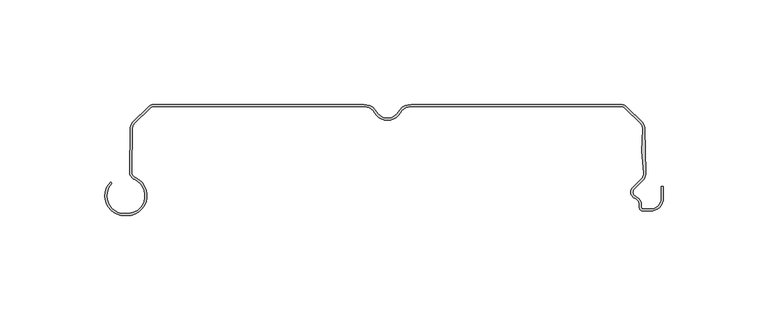
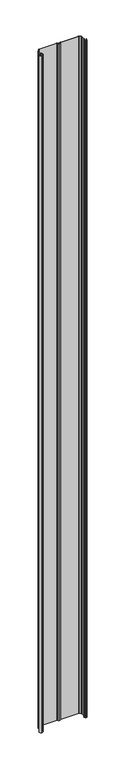
"""IFC4 building model written with IfcOpenShell, lengths in millimetres: plate geometry."""

from ifc_helpers import new_model, si_unit, point, frame_2d, origin, origin_with_axes, place, context, project, spatial, polyline, circle_curve, trimmed, segment, composite_curve, outline, extrude, source, transform, mapped, element, save


def plate_05f0d433(model_context):
    return source(origin(), model_context, "Body", "SweptSolid", [
        extrude(outline(composite_curve([segment(polyline([(-125.5602538, -52.1554675), (-124.3062538, -52.1554674)]), True, "CONTINUOUS"), segment(trimmed(circle_curve(frame_2d((-124.3062538, -43.6554676)), 8.4999998), [point((-124.3062538, -52.1554674))], [point((-120.7922986, -35.9158219))], True, "CARTESIAN"), True, "CONTINUOUS"), segment(trimmed(circle_curve(frame_2d((-119.0973318, -32.1825808)), 4.1000003), [point((-120.7922986, -35.9158219))], [point((-123.1663295, -31.6793315))], False, "CARTESIAN"), True, "CONTINUOUS"), segment(trimmed(circle_curve(frame_2d((-221.9872878, -20.0746668)), 99.5000002), [point((-123.1663295, -31.6793315))], [point((-122.8298399, -11.8253902))], True, "CARTESIAN"), True, "CONTINUOUS"), segment(trimmed(circle_curve(frame_2d((-118.7516342, -11.4032092)), 4.0999999), [point((-122.8298399, -11.8253902))], [point((-121.6507719, -8.5040714))], False, "CARTESIAN"), True, "CONTINUOUS"), segment(polyline([(-121.6507719, -8.5040714), (-114.3475628, -1.2008622)]), True, "CONTINUOUS"), segment(trimmed(circle_curve(frame_2d((-111.448425, -4.1)), 4.1), [point((-114.3475628, -1.2008622))], [point((-111.448425, 0.0))], False, "CARTESIAN"), True, "CONTINUOUS"), segment(polyline([(-111.448425, 0.0), (-11.2583302, 0.0)]), True, "CONTINUOUS"), segment(trimmed(circle_curve(frame_2d((-11.2583302, -7.0)), 7.0), [point((-11.2583302, 0.0))], [point((-5.1961524, -3.5))], False, "CARTESIAN"), True, "CONTINUOUS"), segment(trimmed(circle_curve(frame_2d((0.0, -0.5)), 6.0), [point((-5.1961524, -3.5))], [point((0.0, -6.5))], True, "CARTESIAN"), True, "CONTINUOUS"), segment(trimmed(circle_curve(frame_2d((0.0, -0.5)), 6.0), [point((0.0, -6.5))], [point((5.1961524, -3.5))], True, "CARTESIAN"), True, "CONTINUOUS"), segment(trimmed(circle_curve(frame_2d((11.2583302, -7.0)), 7.0), [point((5.1961524, -3.5))], [point((11.2583302, 0.0))], False, "CARTESIAN"), True, "CONTINUOUS"), segment(polyline([(11.2583302, 0.0), (111.448425, 0.0)]), True, "CONTINUOUS"), segment(trimmed(circle_curve(frame_2d((111.448425, -4.1)), 4.1), [point((111.448425, 0.0))], [point((114.3475628, -1.2008622))], False, "CARTESIAN"), True, "CONTINUOUS"), segment(polyline([(114.3475628, -1.2008622), (121.6502641, -8.5035635)]), True, "CONTINUOUS"), segment(trimmed(circle_curve(frame_2d((118.7511263, -11.4027013)), 4.1), [point((121.6502641, -8.5035635))], [point((122.829342, -11.8247881))], False, "CARTESIAN"), True, "CONTINUOUS"), segment(trimmed(circle_curve(frame_2d((221.9888113, -20.0497283)), 99.5), [point((122.829342, -11.8247881))], [point((123.2850471, -32.612249))], True, "CARTESIAN"), True, "CONTINUOUS"), segment(trimmed(circle_curve(frame_2d((118.9914802, -33.1706248)), 4.3297228), [point((123.2850471, -32.612249))], [point((121.9270443, -36.353228))], False, "CARTESIAN"), True, "CONTINUOUS"), segment(polyline([(121.9270443, -36.353228), (117.893169, -40.3871033)]), True, "CONTINUOUS"), segment(trimmed(circle_curve(frame_2d((119.4488039, -41.9427382)), 2.2), [point((117.893169, -40.3871033))], [point((118.6238714, -43.9822201))], True, "CARTESIAN"), True, "CONTINUOUS"), segment(trimmed(circle_curve(frame_2d((117.0490001, -47.8757764)), 4.2), [point((118.6238714, -43.9822201))], [point((121.2490002, -47.8757764))], False, "CARTESIAN"), True, "CONTINUOUS"), segment(polyline([(121.2490002, -47.8757764), (121.2490002, -49.0)]), True, "CONTINUOUS"), segment(trimmed(circle_curve(frame_2d((122.2490002, -49.0)), 1.0), [point((121.2490002, -49.0))], [point((122.2490002, -50.0))], True, "CARTESIAN"), True, "CONTINUOUS"), segment(polyline([(122.2490002, -50.0), (125.5500002, -50.0)]), True, "CONTINUOUS"), segment(trimmed(circle_curve(frame_2d((125.5500002, -44.8)), 5.2), [point((125.5500002, -50.0))], [point((130.7500002, -44.8))], True, "CARTESIAN"), True, "CONTINUOUS"), segment(polyline([(130.7500002, -44.8), (130.7500002, -39.169), (131.7500002, -39.169), (131.7500002, -44.8)]), True, "CONTINUOUS"), segment(trimmed(circle_curve(frame_2d((125.5500002, -44.8)), 6.2), [point((131.7500002, -44.8))], [point((125.5500002, -51.0))], False, "CARTESIAN"), True, "CONTINUOUS"), segment(polyline([(125.5500002, -51.0), (122.2490002, -51.0)]), True, "CONTINUOUS"), segment(trimmed(circle_curve(frame_2d((122.2490002, -49.0)), 2.0), [point((122.2490002, -51.0))], [point((120.2490002, -49.0))], False, "CARTESIAN"), True, "CONTINUOUS"), segment(polyline([(120.2490002, -49.0), (120.2490002, -47.8757764)]), True, "CONTINUOUS"), segment(trimmed(circle_curve(frame_2d((117.0490001, -47.8757764)), 3.2), [point((120.2490002, -47.8757764))], [point((118.248902, -44.9092573))], True, "CARTESIAN"), True, "CONTINUOUS"), segment(trimmed(circle_curve(frame_2d((119.4488039, -41.9427382)), 3.2), [point((118.248902, -44.9092573))], [point((117.1860622, -39.6799965))], False, "CARTESIAN"), True, "CONTINUOUS"), segment(polyline([(117.1860622, -39.6799965), (121.2351435, -35.6309153)]), True, "CONTINUOUS"), segment(trimmed(circle_curve(frame_2d((118.9914802, -33.1706248)), 3.3297228), [point((121.2351435, -35.6309153))], [point((122.2932342, -32.7399567))], True, "CARTESIAN"), True, "CONTINUOUS"), segment(trimmed(circle_curve(frame_2d((221.9888113, -20.0497283)), 100.5), [point((122.2932342, -32.7399567))], [point((121.8336679, -11.7312394))], False, "CARTESIAN"), True, "CONTINUOUS"), segment(trimmed(circle_curve(frame_2d((118.7511263, -11.4027013)), 3.1), [point((121.8336679, -11.7312394))], [point((120.9431573, -9.2106703))], True, "CARTESIAN"), True, "CONTINUOUS"), segment(polyline([(120.9431573, -9.2106703), (113.640456, -1.907969)]), True, "CONTINUOUS"), segment(trimmed(circle_curve(frame_2d((111.448425, -4.1)), 3.1), [point((113.640456, -1.907969))], [point((111.448425, -1.0))], True, "CARTESIAN"), True, "CONTINUOUS"), segment(polyline([(111.448425, -1.0), (11.2583302, -1.0)]), True, "CONTINUOUS"), segment(trimmed(circle_curve(frame_2d((11.2583302, -7.0)), 6.0), [point((11.2583302, -1.0))], [point((6.0621778, -4.0))], True, "CARTESIAN"), True, "CONTINUOUS"), segment(trimmed(circle_curve(frame_2d((0.0, -0.5)), 7.0), [point((6.0621778, -4.0))], [point((0.0, -7.5))], False, "CARTESIAN"), True, "CONTINUOUS"), segment(trimmed(circle_curve(frame_2d((0.0, -0.5)), 7.0), [point((0.0, -7.5))], [point((-6.0621778, -4.0))], False, "CARTESIAN"), True, "CONTINUOUS"), segment(trimmed(circle_curve(frame_2d((-11.2583302, -7.0)), 6.0), [point((-6.0621778, -4.0))], [point((-11.2583302, -1.0))], True, "CARTESIAN"), True, "CONTINUOUS"), segment(polyline([(-11.2583302, -1.0), (-111.448425, -1.0)]), True, "CONTINUOUS"), segment(trimmed(circle_curve(frame_2d((-111.448425, -4.1)), 3.1), [point((-111.448425, -1.0))], [point((-113.640456, -1.907969))], True, "CARTESIAN"), True, "CONTINUOUS"), segment(polyline([(-113.640456, -1.907969), (-120.9436652, -9.2111782)]), True, "CONTINUOUS"), segment(trimmed(circle_curve(frame_2d((-118.7516342, -11.4032092)), 3.1), [point((-120.9436652, -9.2111782))], [point((-121.8341791, -11.7317167))], True, "CARTESIAN"), True, "CONTINUOUS"), segment(trimmed(circle_curve(frame_2d((-221.9872878, -20.0746668)), 100.5), [point((-121.8341791, -11.7317167))], [point((-122.1735502, -31.7993319))], False, "CARTESIAN"), True, "CONTINUOUS"), segment(trimmed(circle_curve(frame_2d((-119.0973318, -32.1825808)), 3.0999999), [point((-122.1735502, -31.7993319))], [point((-120.3788919, -35.005275))], True, "CARTESIAN"), True, "CONTINUOUS"), segment(trimmed(circle_curve(frame_2d((-124.3062538, -43.6554676)), 9.5000001), [point((-120.3788919, -35.005275))], [point((-124.3062538, -53.1554677))], False, "CARTESIAN"), True, "CONTINUOUS"), segment(polyline([(-124.3062538, -53.1554677), (-125.5602538, -53.1554676)]), True, "CONTINUOUS"), segment(trimmed(circle_curve(frame_2d((-125.5602538, -43.6554676)), 9.5), [point((-125.5602538, -53.1554676))], [point((-132.2777682, -36.9379531))], False, "CARTESIAN"), True, "CONTINUOUS"), segment(polyline([(-132.2777682, -36.9379531), (-131.5706614, -37.6450599)]), True, "CONTINUOUS"), segment(trimmed(circle_curve(frame_2d((-125.5602538, -43.6554676)), 8.4999999), [point((-131.5706614, -37.6450599))], [point((-125.5602538, -52.1554675))], True, "CARTESIAN"), True, "CONTINUOUS")], self_intersect=False)), origin_with_axes(), (0.0, 0.0, 1.0), 4000.0),
    ])


if __name__ == "__main__":
    model = new_model("IFC4")
    model_context = context("Model", 3, world=origin())
    ifc_project = project(units=[si_unit("LENGTHUNIT", "METRE", prefix="MILLI")], contexts=[model_context])
    site = spatial("IfcSite", under=ifc_project)
    building = spatial("IfcBuilding", under=site)
    placement = place(None, origin())
    plate_shape = plate_05f0d433(model_context)
    element("IfcPlate", 1, at=placement, inside=building, context=model_context, shape_type="MappedRepresentation", body=[
        mapped(plate_shape, transform((0.0, 0.0, 0.0), x_axis=(1.0, 0.0, 0.0), y_axis=(0.0, 1.0, 0.0), z_axis=(0.0, 0.0, 1.0))),
    ])
    save(model, "model.ifc")
